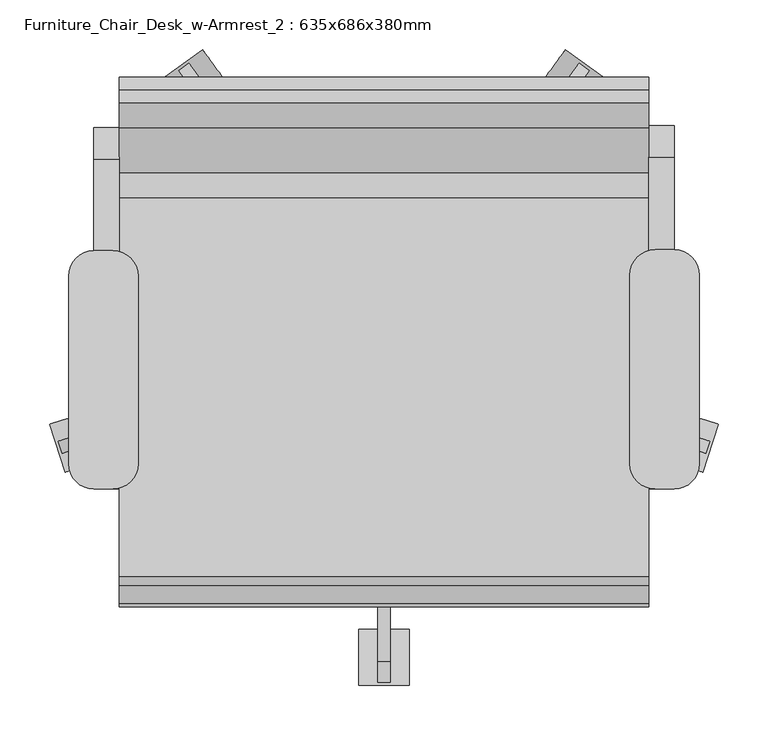
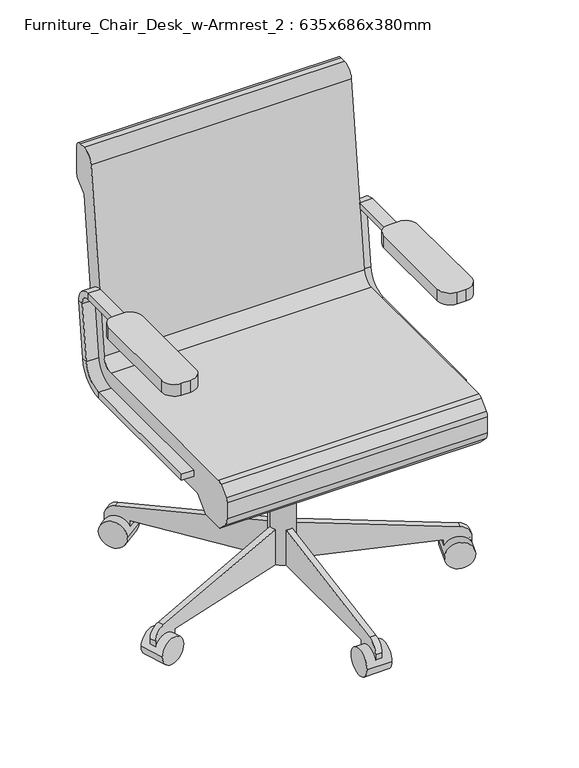
"""IFC4 building model written with IfcOpenShell, lengths in millimetres: furniture geometry, Furniture_Chair_Desk_w-Armrest_2 : 635x686x380mm."""

from ifc_helpers import new_model, si_unit, point, frame, frame_2d, origin, place, context, project, spatial, polyline, circle_curve, trimmed, segment, composite_curve, outline, extrude, source, transform, mapped, element, save
from ifc_brep_helpers import plane_surface, cylinder_surface, revolved_surface, advanced_brep


def furniture_chair_desk_w_armrest_2_635x686x380mm_3c69ee15(model_context):
    return source(origin(), model_context, "Body", "SolidModel", [
        extrude(outline(composite_curve([segment(trimmed(circle_curve(frame_2d((433.0908197, 48.8028048)), 25.4), [point((433.0908197, 74.2028048))], [point((458.4908197, 48.8028048))], False, "CARTESIAN"), True, "CONTINUOUS"), segment(polyline([(458.4908197, 48.8028048), (458.4908197, -141.6319091)]), True, "CONTINUOUS"), segment(trimmed(circle_curve(frame_2d((433.0908197, -141.6319091)), 25.4), [point((458.4908197, -141.6319091))], [point((433.0908197, -167.0319091))], False, "CARTESIAN"), True, "CONTINUOUS"), segment(polyline([(433.0908197, -167.0319091), (414.0408197, -167.0319091)]), True, "CONTINUOUS"), segment(trimmed(circle_curve(frame_2d((414.0408197, -141.6319091)), 25.4), [point((414.0408197, -167.0319091))], [point((388.6408197, -141.6319091))], False, "CARTESIAN"), True, "CONTINUOUS"), segment(polyline([(388.6408197, -141.6319091), (388.6408197, 48.8028048)]), True, "CONTINUOUS"), segment(trimmed(circle_curve(frame_2d((414.0408197, 48.8028048)), 25.4), [point((388.6408197, 48.8028048))], [point((414.0408197, 74.2028048))], False, "CARTESIAN"), True, "CONTINUOUS"), segment(polyline([(414.0408197, 74.2028048), (433.0908197, 74.2028048)]), True, "CONTINUOUS")], self_intersect=False)), frame((0.0, 0.0, 596.9), z_axis=(0.0, 0.0, 1.0), x_axis=(1.0, 0.0, 0.0)), (0.0, 0.0, 1.0), 25.4),
        extrude(outline(composite_curve([segment(trimmed(circle_curve(frame_2d((-132.0591803, 47.7575984)), 25.4), [point((-132.0591803, 73.1575984))], [point((-106.6591803, 47.7575984))], False, "CARTESIAN"), True, "CONTINUOUS"), segment(polyline([(-106.6591803, 47.7575984), (-106.6591803, -141.6319091)]), True, "CONTINUOUS"), segment(trimmed(circle_curve(frame_2d((-132.0591803, -141.6319091)), 25.4), [point((-106.6591803, -141.6319091))], [point((-132.0591803, -167.0319091))], False, "CARTESIAN"), True, "CONTINUOUS"), segment(polyline([(-132.0591803, -167.0319091), (-151.1091803, -167.0319091)]), True, "CONTINUOUS"), segment(trimmed(circle_curve(frame_2d((-151.1091803, -141.6319091)), 25.4), [point((-151.1091803, -167.0319091))], [point((-176.5091803, -141.6319091))], False, "CARTESIAN"), True, "CONTINUOUS"), segment(polyline([(-176.5091803, -141.6319091), (-176.5091803, 47.7575984)]), True, "CONTINUOUS"), segment(trimmed(circle_curve(frame_2d((-151.1091803, 47.7575984)), 25.4), [point((-176.5091803, 47.7575984))], [point((-151.1091803, 73.1575984))], False, "CARTESIAN"), True, "CONTINUOUS"), segment(polyline([(-151.1091803, 73.1575984), (-132.0591803, 73.1575984)]), True, "CONTINUOUS")], self_intersect=False)), frame((0.0, 0.0, 596.9), z_axis=(0.0, 0.0, 1.0), x_axis=(1.0, 0.0, 0.0)), (0.0, 0.0, 1.0), 25.4),
        advanced_brep(
        [(-151.1091803, -167.0319091, 412.75), (-125.7091803, -167.0319091, 412.75), (-125.7091803, -167.0319091, 425.45), (-151.1091803, -167.0319091, 425.45), (-151.1091803, 126.2388651, 425.45), (-151.1091803, 126.2388651, 412.75), (-125.7091803, 126.2388651, 425.45), (-125.7091803, 126.2388651, 412.75), (-151.1091803, 170.3844094, 464.7064065), (-151.1091803, 182.9974221, 463.2225227), (-125.7091803, 170.3844094, 464.7064065), (-125.7091803, 182.9974221, 463.2225227), (-151.1091803, 184.1806174, 581.9741742), (-151.1091803, 196.7936301, 580.4902904), (-125.7091803, 184.1806174, 581.9741742), (-125.7091803, 196.7936301, 580.4902904), (-151.1091803, 165.2610984, 603.25), (-151.1091803, 165.2610984, 615.95), (-125.7091803, 165.2610984, 603.25), (-125.7091803, 165.2610984, 615.95), (-151.1091803, -18.9459016, 615.95), (-151.1091803, -18.9459016, 603.25), (-125.7091803, -18.9459016, 603.25), (-125.7091803, -18.9459016, 615.95)],
        [
            (0, 1),
            (1, 2),
            (2, 3),
            (3, 0),
            (3, 4),
            (4, 5),
            (5, 0),
            (2, 6),
            (6, 4),
            (1, 7),
            (7, 6),
            (5, 7),
            (8, 9),
            (9, 5, circle_curve(frame((-151.1091803, 126.2388651, 469.9), z_axis=(-1.0, 0.0, 0.0), x_axis=(0.0, 0.0, -1.0)), 57.15)),
            (4, 8, circle_curve(frame((-151.1091803, 126.2388651, 469.9), z_axis=(1.0, 0.0, 0.0), x_axis=(0.0, 0.0, -1.0)), 44.45)),
            (10, 8),
            (6, 10, circle_curve(frame((-125.7091803, 126.2388651, 469.9), z_axis=(1.0, 0.0, 0.0), x_axis=(0.0, 0.0, -1.0)), 44.45)),
            (11, 10),
            (7, 11, circle_curve(frame((-125.7091803, 126.2388651, 469.9), z_axis=(1.0, 0.0, 0.0), x_axis=(0.0, 0.0, -1.0)), 57.15)),
            (9, 11),
            (8, 12),
            (12, 13),
            (13, 9),
            (10, 14),
            (14, 12),
            (11, 15),
            (15, 14),
            (13, 15),
            (16, 17),
            (17, 13, circle_curve(frame((-151.1091803, 165.2610984, 584.2), z_axis=(-1.0, 0.0, 0.0), x_axis=(0.0, 0.9931506043228768, -0.11684124756739202)), 31.75)),
            (12, 16, circle_curve(frame((-151.1091803, 165.2610984, 584.2), z_axis=(1.0, 0.0, 0.0), x_axis=(0.0, 0.9931506043228768, -0.11684124756739202)), 19.05)),
            (18, 16),
            (14, 18, circle_curve(frame((-125.7091803, 165.2610984, 584.2), z_axis=(1.0, 0.0, 0.0), x_axis=(0.0, 0.9931506043228768, -0.11684124756739202)), 19.05)),
            (19, 18),
            (15, 19, circle_curve(frame((-125.7091803, 165.2610984, 584.2), z_axis=(1.0, 0.0, 0.0), x_axis=(0.0, 0.9931506043228768, -0.11684124756739202)), 31.75)),
            (17, 19),
            (20, 21),
            (21, 22),
            (22, 23),
            (23, 20),
            (16, 21),
            (20, 17),
            (18, 22),
            (19, 23),
        ],
        [
            plane_surface(frame((-152.608212, -167.0319091, 419.1), z_axis=(0.0, -1.0, 0.0), x_axis=(0.0, 0.0, -1.0))),
            plane_surface(frame((-151.1091803, -167.0319091, 412.75), z_axis=(-1.0, 0.0, 0.0), x_axis=(0.0, 1.0, 0.0))),
            plane_surface(frame((-151.1091803, -167.0319091, 425.45), z_axis=(0.0, 0.0, 1.0), x_axis=(0.0, 1.0, 0.0))),
            plane_surface(frame((-125.7091803, -167.0319091, 425.45), z_axis=(1.0, 0.0, 0.0), x_axis=(0.0, 1.0, 0.0))),
            plane_surface(frame((-125.7091803, -167.0319091, 412.75), z_axis=(0.0, 0.0, -1.0), x_axis=(0.0, 1.0, 0.0))),
            plane_surface(frame((-151.1091803, 126.2388651, 469.9), z_axis=(-1.0, 0.0, 0.0), x_axis=(0.0, 0.0, -1.0))),
            revolved_surface(polyline([(-151.1091803, 126.2388651, 425.45), (-125.7091803, 126.2388651, 425.45)]), (-138.4091803, 126.2388651, 469.9), (-1.0, 0.0, 0.0)),
            plane_surface(frame((-125.7091803, 126.2388651, 469.9), z_axis=(1.0, 0.0, 0.0), x_axis=(0.0, 0.0, -1.0))),
            cylinder_surface(frame((-138.4091803, 126.2388651, 469.9), z_axis=(-1.0, 0.0, 0.0), x_axis=(0.0, 0.0, -1.0)), 57.15),
            plane_surface(frame((-151.1091803, 182.9974221, 463.2225227), z_axis=(-1.0, 0.0, 0.0), x_axis=(0.0, 0.1168412475673856, 0.9931506043228776))),
            plane_surface(frame((-151.1091803, 170.3844094, 464.7064065), z_axis=(0.0, -0.9931506043228776, 0.1168412475673856), x_axis=(0.0, 0.1168412475673856, 0.9931506043228776))),
            plane_surface(frame((-125.7091803, 170.3844094, 464.7064065), z_axis=(1.0, 0.0, 0.0), x_axis=(0.0, 0.1168412475673856, 0.9931506043228776))),
            plane_surface(frame((-125.7091803, 182.9974221, 463.2225227), z_axis=(0.0, 0.9931506043228776, -0.1168412475673856), x_axis=(0.0, 0.1168412475673856, 0.9931506043228776))),
            plane_surface(frame((-151.1091803, 165.2610984, 584.2), z_axis=(-1.0, 0.0, 0.0), x_axis=(0.0, 0.9931506043228768, -0.11684124756739202))),
            revolved_surface(polyline([(-151.1091803, 184.1806174123508, 581.9741742338413), (-125.7091803, 184.1806174123508, 581.9741742338413)]), (-138.4091803, 165.2610984, 584.2), (-1.0, 0.0, 0.0)),
            plane_surface(frame((-125.7091803, 165.2610984, 584.2), z_axis=(1.0, 0.0, 0.0), x_axis=(0.0, 0.9931506043228768, -0.11684124756739202))),
            cylinder_surface(frame((-138.4091803, 165.2610984, 584.2), z_axis=(-1.0, 0.0, 0.0), x_axis=(0.0, 0.9931506043228768, -0.11684124756739202)), 31.75),
            plane_surface(frame((-152.608212, -18.9459016, 609.6), z_axis=(0.0, -1.0, 0.0), x_axis=(0.0, 0.0, 1.0))),
            plane_surface(frame((-151.1091803, 165.2610984, 615.95), z_axis=(-1.0, 0.0, 0.0), x_axis=(0.0, -1.0, 0.0))),
            plane_surface(frame((-151.1091803, 165.2610984, 603.25), z_axis=(0.0, 0.0, -1.0), x_axis=(0.0, -1.0, 0.0))),
            plane_surface(frame((-125.7091803, 165.2610984, 603.25), z_axis=(1.0, 0.0, 0.0), x_axis=(0.0, -1.0, 0.0))),
            plane_surface(frame((-125.7091803, 165.2610984, 615.95), z_axis=(0.0, 0.0, 1.0), x_axis=(0.0, -1.0, 0.0))),
        ],
        [
            (0, [[1, 2, 3, 4]]),
            (1, [[5, 6, 7, -4]]),
            (2, [[8, 9, -5, -3]]),
            (3, [[10, 11, -8, -2]]),
            (4, [[-7, 12, -10, -1]]),
            (5, [[13, 14, -6, 15]]),
            (6, [[16, -15, -9, 17]]),
            (7, [[18, -17, -11, 19]]),
            (8, [[20, -19, -12, -14]]),
            (9, [[21, 22, 23, -13]]),
            (10, [[24, 25, -21, -16]]),
            (11, [[26, 27, -24, -18]]),
            (12, [[-23, 28, -26, -20]]),
            (13, [[29, 30, -22, 31]]),
            (14, [[32, -31, -25, 33]]),
            (15, [[34, -33, -27, 35]]),
            (16, [[36, -35, -28, -30]]),
            (17, [[37, 38, 39, 40]]),
            (18, [[41, -37, 42, -29]]),
            (19, [[43, -38, -41, -32]]),
            (20, [[44, -39, -43, -34]]),
            (21, [[-42, -40, -44, -36]]),
        ],
    ),
        advanced_brep(
        [(433.0908197, -167.0319091, 425.45), (407.6908197, -167.0319091, 425.45), (407.6908197, -167.0319091, 412.75), (433.0908197, -167.0319091, 412.75), (433.0908197, 128.329278, 412.75), (433.0908197, 128.329278, 425.45), (407.6908197, 128.329278, 412.75), (407.6908197, 128.329278, 425.45), (433.0908197, 185.0878351, 463.2225227), (433.0908197, 172.4748224, 464.7064065), (407.6908197, 185.0878351, 463.2225227), (407.6908197, 172.4748224, 464.7064065), (433.0908197, 198.884043, 580.4902904), (433.0908197, 186.2710303, 581.9741742), (407.6908197, 198.884043, 580.4902904), (407.6908197, 186.2710303, 581.9741742), (433.0908197, 167.3515113, 615.95), (433.0908197, 167.3515113, 603.25), (407.6908197, 167.3515113, 615.95), (407.6908197, 167.3515113, 603.25), (433.0908197, -18.9459016, 603.25), (433.0908197, -18.9459016, 615.95), (407.6908197, -18.9459016, 615.95), (407.6908197, -18.9459016, 603.25)],
        [
            (0, 1),
            (1, 2),
            (2, 3),
            (3, 0),
            (3, 4),
            (4, 5),
            (5, 0),
            (2, 6),
            (6, 4),
            (1, 7),
            (7, 6),
            (5, 7),
            (8, 9),
            (9, 5, circle_curve(frame((433.0908197, 128.329278, 469.9), z_axis=(-1.0, 0.0, 0.0), x_axis=(0.0, 0.0, -1.0)), 44.45)),
            (4, 8, circle_curve(frame((433.0908197, 128.329278, 469.9), z_axis=(1.0, 0.0, 0.0), x_axis=(0.0, 0.0, -1.0)), 57.15)),
            (10, 8),
            (6, 10, circle_curve(frame((407.6908197, 128.329278, 469.9), z_axis=(1.0, 0.0, 0.0), x_axis=(0.0, 0.0, -1.0)), 57.15)),
            (11, 10),
            (7, 11, circle_curve(frame((407.6908197, 128.329278, 469.9), z_axis=(1.0, 0.0, 0.0), x_axis=(0.0, 0.0, -1.0)), 44.45)),
            (9, 11),
            (8, 12),
            (12, 13),
            (13, 9),
            (10, 14),
            (14, 12),
            (11, 15),
            (15, 14),
            (13, 15),
            (16, 17),
            (17, 13, circle_curve(frame((433.0908197, 167.3515113, 584.2), z_axis=(-1.0, 0.0, 0.0), x_axis=(0.0, 0.9931506043228767, -0.1168412475673929)), 19.05)),
            (12, 16, circle_curve(frame((433.0908197, 167.3515113, 584.2), z_axis=(1.0, 0.0, 0.0), x_axis=(0.0, 0.9931506043228767, -0.1168412475673929)), 31.75)),
            (18, 16),
            (14, 18, circle_curve(frame((407.6908197, 167.3515113, 584.2), z_axis=(1.0, 0.0, 0.0), x_axis=(0.0, 0.9931506043228767, -0.1168412475673929)), 31.75)),
            (19, 18),
            (15, 19, circle_curve(frame((407.6908197, 167.3515113, 584.2), z_axis=(1.0, 0.0, 0.0), x_axis=(0.0, 0.9931506043228767, -0.1168412475673929)), 19.05)),
            (17, 19),
            (20, 21),
            (21, 22),
            (22, 23),
            (23, 20),
            (16, 21),
            (20, 17),
            (18, 22),
            (19, 23),
        ],
        [
            plane_surface(frame((406.191788, -167.0319091, 419.1), z_axis=(0.0, -1.0, 0.0), x_axis=(0.0, 0.0, -1.0))),
            plane_surface(frame((433.0908197, -167.0319091, 425.45), z_axis=(1.0, 0.0, 0.0), x_axis=(0.0, 1.0, 0.0))),
            plane_surface(frame((433.0908197, -167.0319091, 412.75), z_axis=(0.0, 0.0, -1.0), x_axis=(0.0, 1.0, 0.0))),
            plane_surface(frame((407.6908197, -167.0319091, 412.75), z_axis=(-1.0, 0.0, 0.0), x_axis=(0.0, 1.0, 0.0))),
            plane_surface(frame((407.6908197, -167.0319091, 425.45), z_axis=(0.0, 0.0, 1.0), x_axis=(0.0, 1.0, 0.0))),
            plane_surface(frame((433.0908197, 128.329278, 469.9), z_axis=(1.0, 0.0, 0.0), x_axis=(0.0, 0.0, -1.0))),
            cylinder_surface(frame((420.3908197, 128.329278, 469.9), z_axis=(-1.0, 0.0, 0.0), x_axis=(0.0, 0.0, -1.0)), 57.15),
            plane_surface(frame((407.6908197, 128.329278, 469.9), z_axis=(-1.0, 0.0, 0.0), x_axis=(0.0, 0.0, -1.0))),
            revolved_surface(polyline([(407.6908197, 128.329278, 425.45), (433.0908197, 128.329278, 425.45)]), (420.3908197, 128.329278, 469.9), (-1.0, 0.0, 0.0)),
            plane_surface(frame((433.0908197, 172.4748224, 464.7064065), z_axis=(1.0, 0.0, 0.0), x_axis=(0.0, 0.11684124756738626, 0.9931506043228775))),
            plane_surface(frame((433.0908197, 185.0878351, 463.2225227), z_axis=(0.0, 0.9931506043228775, -0.11684124756738655), x_axis=(0.0, 0.11684124756738655, 0.9931506043228775))),
            plane_surface(frame((407.6908197, 185.0878351, 463.2225227), z_axis=(-1.0, 0.0, 0.0), x_axis=(0.0, 0.11684124756738626, 0.9931506043228775))),
            plane_surface(frame((407.6908197, 172.4748224, 464.7064065), z_axis=(0.0, -0.9931506043228775, 0.11684124756738626), x_axis=(0.0, 0.11684124756738626, 0.9931506043228775))),
            plane_surface(frame((433.0908197, 167.3515113, 584.2), z_axis=(1.0, 0.0, 0.0), x_axis=(0.0, 0.9931506043228767, -0.1168412475673929))),
            cylinder_surface(frame((420.3908197, 167.3515113, 584.2), z_axis=(-1.0, 0.0, 0.0), x_axis=(0.0, 0.9931506043228767, -0.1168412475673929)), 31.75),
            plane_surface(frame((407.6908197, 167.3515113, 584.2), z_axis=(-1.0, 0.0, 0.0), x_axis=(0.0, 0.9931506043228767, -0.1168412475673929))),
            revolved_surface(polyline([(407.6908197, 186.2710303123508, 581.9741742338412), (433.0908197, 186.2710303123508, 581.9741742338412)]), (420.3908197, 167.3515113, 584.2), (-1.0, 0.0, 0.0)),
            plane_surface(frame((406.191788, -18.9459016, 609.6), z_axis=(0.0, -1.0, 0.0), x_axis=(0.0, 0.0, 1.0))),
            plane_surface(frame((433.0908197, 167.3515113, 603.25), z_axis=(1.0, 0.0, 0.0), x_axis=(0.0, -1.0, 0.0))),
            plane_surface(frame((433.0908197, 167.3515113, 615.95), z_axis=(0.0, 0.0, 1.0), x_axis=(0.0, -1.0, 0.0))),
            plane_surface(frame((407.6908197, 167.3515113, 615.95), z_axis=(-1.0, 0.0, 0.0), x_axis=(0.0, -1.0, 0.0))),
            plane_surface(frame((407.6908197, 167.3515113, 603.25), z_axis=(0.0, 0.0, -1.0), x_axis=(0.0, -1.0, 0.0))),
        ],
        [
            (0, [[1, 2, 3, 4]]),
            (1, [[5, 6, 7, -4]]),
            (2, [[8, 9, -5, -3]]),
            (3, [[10, 11, -8, -2]]),
            (4, [[-7, 12, -10, -1]]),
            (5, [[13, 14, -6, 15]]),
            (6, [[16, -15, -9, 17]]),
            (7, [[18, -17, -11, 19]]),
            (8, [[20, -19, -12, -14]]),
            (9, [[21, 22, 23, -13]]),
            (10, [[24, 25, -21, -16]]),
            (11, [[26, 27, -24, -18]]),
            (12, [[-23, 28, -26, -20]]),
            (13, [[29, 30, -22, 31]]),
            (14, [[32, -31, -25, 33]]),
            (15, [[34, -33, -27, 35]]),
            (16, [[36, -35, -28, -30]]),
            (17, [[37, 38, 39, 40]]),
            (18, [[41, -37, 42, -29]]),
            (19, [[43, -38, -41, -32]]),
            (20, [[44, -39, -43, -34]]),
            (21, [[-42, -40, -44, -36]]),
        ],
    ),
        extrude(outline(composite_curve([segment(trimmed(circle_curve(frame_2d((140.9908197, -18.9459016)), 25.4), [point((115.5908197, -18.9459016))], [point((166.3908197, -18.9459016))], False, "CARTESIAN"), True, "CONTINUOUS"), segment(trimmed(circle_curve(frame_2d((140.9908197, -18.9459016)), 25.4), [point((166.3908197, -18.9459016))], [point((115.5908197, -18.9459016))], False, "CARTESIAN"), True, "CONTINUOUS")], self_intersect=False)), frame((0.0, 0.0, 53.5835944), z_axis=(0.0, 0.0, 1.0), x_axis=(1.0, 0.0, 0.0)), (0.0, 0.0, 1.0), 330.5914056),
        extrude(outline(composite_curve([segment(trimmed(circle_curve(frame_2d((0.0, 28.2002728)), 28.2002727), [point((0.0, 56.4005455))], [point((0.0, 0.0))], False, "CARTESIAN"), True, "CONTINUOUS"), segment(trimmed(circle_curve(frame_2d((0.0, 28.2002728)), 28.2002727), [point((0.0, 0.0))], [point((0.0, 56.4005455))], False, "CARTESIAN"), True, "CONTINUOUS")], self_intersect=False)), frame((461.9222851, -149.9299964, 28.1835944), z_axis=(0.3090169943749423, 0.9510565162951553, 0.0), x_axis=(0.0, 0.0, -1.0)), (0.0, 0.0, 1.0), 50.8),
        extrude(outline(composite_curve([segment(polyline([(25.4, 0.0), (0.0, 0.0), (0.0, 50.8), (24.303053, 50.8)]), True, "CONTINUOUS"), segment(trimmed(circle_curve(frame_2d((24.303053, 25.4)), 25.4), [point((24.303053, 50.8))], [point((49.3171699, 29.8106636))], False, "CARTESIAN"), True, "CONTINUOUS"), segment(polyline([(49.3171699, 29.8106636), (101.6, -266.7), (101.6, -292.1), (25.4, -292.1), (25.4, 0.0)]), True, "CONTINUOUS")], self_intersect=False)), frame((416.8321702, -115.2489746, 28.1835944), z_axis=(0.3090169943749423, 0.9510565162951553, 0.0), x_axis=(0.0, 0.0, 1.0)), (0.0, 0.0, 1.0), 12.7),
        extrude(outline(composite_curve([segment(trimmed(circle_curve(frame_2d((0.0, 28.2002726)), 28.2002727), [point((0.0, 56.4005454))], [point((0.0, 0.0))], False, "CARTESIAN"), True, "CONTINUOUS"), segment(trimmed(circle_curve(frame_2d((0.0, 28.2002726)), 28.2002727), [point((0.0, 0.0))], [point((0.0, 56.4005454))], False, "CARTESIAN"), True, "CONTINUOUS")], self_intersect=False)), frame((364.7373733, 245.8017485, 28.1835944), z_axis=(-0.8090169943749499, 0.5877852522924699, 0.0), x_axis=(0.0, 0.0, -1.0)), (0.0, 0.0, 1.0), 50.8),
        extrude(outline(composite_curve([segment(polyline([(25.4, 0.0), (0.0, 0.0), (0.0, 50.8), (24.303053, 50.8)]), True, "CONTINUOUS"), segment(trimmed(circle_curve(frame_2d((24.303053, 25.3999999)), 25.4), [point((24.303053, 50.8))], [point((49.3171699, 29.8106637))], False, "CARTESIAN"), True, "CONTINUOUS"), segment(polyline([(49.3171699, 29.8106637), (101.6, -266.7), (101.6, -292.1), (25.4, -292.1), (25.4, 0.0)]), True, "CONTINUOUS")], self_intersect=False)), frame((317.8201498, 213.6355261, 28.1835944), z_axis=(-0.8090169943749499, 0.5877852522924699, 0.0), x_axis=(0.0, 0.0, 1.0)), (0.0, 0.0, 1.0), 12.7),
        extrude(outline(composite_curve([segment(trimmed(circle_curve(frame_2d((0.0, 28.2002726)), 28.2002727), [point((0.0, 56.4005454))], [point((0.0, 0.0))], False, "CARTESIAN"), True, "CONTINUOUS"), segment(trimmed(circle_curve(frame_2d((0.0, 28.2002726)), 28.2002727), [point((0.0, 0.0))], [point((0.0, 56.4005454))], False, "CARTESIAN"), True, "CONTINUOUS")], self_intersect=False)), frame((-82.755734, 245.8017485, 28.1835944), z_axis=(0.8090169943749458, 0.5877852522924754, 0.0), x_axis=(0.0, 0.0, 1.0)), (0.0, 0.0, 1.0), 50.8),
        extrude(outline(composite_curve([segment(polyline([(-25.4, 0.0), (-25.4, -292.1), (-101.6, -292.1), (-101.6, -266.6999999), (-49.3171699, 29.8106637)]), True, "CONTINUOUS"), segment(trimmed(circle_curve(frame_2d((-24.303053, 25.3999999)), 25.4), [point((-49.3171699, 29.8106637))], [point((-24.303053, 50.8))], False, "CARTESIAN"), True, "CONTINUOUS"), segment(polyline([(-24.303053, 50.8), (0.0, 50.8), (0.0, 0.0), (-25.4, 0.0)]), True, "CONTINUOUS")], self_intersect=False)), frame((-35.8385104, 213.6355261, 28.1835944), z_axis=(0.8090169943749459, 0.5877852522924754, 0.0), x_axis=(0.0, 0.0, -1.0)), (0.0, 0.0, 1.0), 12.7),
        extrude(outline(composite_curve([segment(trimmed(circle_curve(frame_2d((0.0, 28.2002727)), 28.2002727), [point((0.0, 56.4005454))], [point((0.0, 0.0))], False, "CARTESIAN"), True, "CONTINUOUS"), segment(trimmed(circle_curve(frame_2d((0.0, 28.2002727)), 28.2002727), [point((0.0, 0.0))], [point((0.0, 56.4005454))], False, "CARTESIAN"), True, "CONTINUOUS")], self_intersect=False)), frame((-179.9406457, -149.9299964, 28.1835944), z_axis=(-0.3090169943749487, 0.9510565162951532, 0.0), x_axis=(0.0, 0.0, 1.0)), (0.0, 0.0, 1.0), 50.8),
        extrude(outline(composite_curve([segment(polyline([(-25.4, 0.0), (-25.4, -292.1), (-101.6, -292.1), (-101.6, -266.7), (-49.3171699, 29.8106637)]), True, "CONTINUOUS"), segment(trimmed(circle_curve(frame_2d((-24.303053, 25.4)), 25.4), [point((-49.3171699, 29.8106637))], [point((-24.303053, 50.8000001))], False, "CARTESIAN"), True, "CONTINUOUS"), segment(polyline([(-24.303053, 50.8000001), (0.0, 50.8000001), (0.0, 0.0), (-25.4, 0.0)]), True, "CONTINUOUS")], self_intersect=False)), frame((-134.8505308, -115.2489746, 28.1835944), z_axis=(-0.3090169943749487, 0.9510565162951532, 0.0), x_axis=(0.0, 0.0, -1.0)), (0.0, 0.0, 1.0), 12.7),
        extrude(outline(composite_curve([segment(trimmed(circle_curve(frame_2d((-336.4459016, 28.1835944)), 28.2002727), [point((-308.2456289, 28.1835944))], [point((-364.6461744, 28.1835944))], False, "CARTESIAN"), True, "CONTINUOUS"), segment(trimmed(circle_curve(frame_2d((-336.4459016, 28.1835944)), 28.2002727), [point((-364.6461744, 28.1835944))], [point((-308.2456289, 28.1835944))], False, "CARTESIAN"), True, "CONTINUOUS")], self_intersect=False)), frame((115.5908197, 0.0, 0.0), z_axis=(1.0, 0.0, 0.0), x_axis=(0.0, 1.0, 0.0)), (0.0, 0.0, 1.0), 50.8),
        extrude(outline(composite_curve([segment(polyline([(-311.0459016, 53.5835944), (-311.0459016, 28.1835944), (-361.8459016, 28.1835944), (-361.8459016, 52.4866474)]), True, "CONTINUOUS"), segment(trimmed(circle_curve(frame_2d((-336.4459016, 52.4866474)), 25.4), [point((-361.8459016, 52.4866474))], [point((-340.8565654, 77.5007643))], False, "CARTESIAN"), True, "CONTINUOUS"), segment(polyline([(-340.8565654, 77.5007643), (-44.3459016, 129.7835944), (-18.9459016, 129.7835944), (-18.9459016, 53.5835944), (-311.0459016, 53.5835944)]), True, "CONTINUOUS")], self_intersect=False)), frame((134.6408197, 0.0, 0.0), z_axis=(1.0, 0.0, 0.0), x_axis=(0.0, 1.0, 0.0)), (0.0, 0.0, 1.0), 12.7),
        extrude(outline(polyline([(-69.7459016, 383.7835944), (19.1540984, 383.7835944), (19.1540984, 283.0954134), (-18.9459016, 283.0954134), (-69.7459016, 371.0835944), (-69.7459016, 383.7835944)])), frame((90.1908197, 0.0, 0.0), z_axis=(1.0, 0.0, 0.0), x_axis=(0.0, 1.0, 0.0)), (0.0, 0.0, 1.0), 101.6),
        extrude(outline(composite_curve([segment(trimmed(circle_curve(frame_2d((126.2050455, 482.6)), 25.4), [point((126.2050455, 457.2))], [point((151.4310708, 479.6322323))], True, "CARTESIAN"), True, "CONTINUOUS"), segment(polyline([(151.4310708, 479.6322323), (196.9528985, 866.5677677)]), True, "CONTINUOUS"), segment(trimmed(circle_curve(frame_2d((222.1789239, 863.6)), 25.4), [point((196.9528985, 866.5677677))], [point((222.1789239, 889.0))], False, "CARTESIAN"), True, "CONTINUOUS"), segment(polyline([(222.1789239, 889.0), (235.0540984, 889.0)]), True, "CONTINUOUS"), segment(trimmed(circle_curve(frame_2d((235.0540984, 876.3)), 12.7), [point((235.0540984, 889.0))], [point((247.7540984, 876.3))], False, "CARTESIAN"), True, "CONTINUOUS"), segment(polyline([(247.7540984, 876.3), (247.7540984, 818.0605122)]), True, "CONTINUOUS"), segment(trimmed(circle_curve(frame_2d((235.0540984, 818.0605122)), 12.7), [point((247.7540984, 818.0605122))], [point((244.0343545, 809.0802561))], False, "CARTESIAN"), True, "CONTINUOUS"), segment(polyline([(244.0343545, 809.0802561), (222.3540984, 787.4), (182.7870738, 451.0802913)]), True, "CONTINUOUS"), segment(trimmed(circle_curve(frame_2d((107.1089978, 459.9835944)), 76.2), [point((182.7870738, 451.0802913))], [point((107.1089978, 383.7835944))], False, "CARTESIAN"), True, "CONTINUOUS"), segment(polyline([(107.1089978, 383.7835944), (-181.0744602, 383.7835944), (-209.4470284, 355.6), (-260.2470284, 355.6), (-278.2663256, 373.7401184)]), True, "CONTINUOUS"), segment(trimmed(circle_curve(frame_2d((-260.2459016, 391.6405184)), 25.4), [point((-278.2663256, 373.7401184))], [point((-285.6459016, 391.6405184))], False, "CARTESIAN"), True, "CONTINUOUS"), segment(polyline([(-285.6459016, 391.6405184), (-285.6459016, 426.6837879)]), True, "CONTINUOUS"), segment(trimmed(circle_curve(frame_2d((-272.9459016, 426.6837879)), 12.7), [point((-285.6459016, 426.6837879))], [point((-281.8961016, 435.6939999))], False, "CARTESIAN"), True, "CONTINUOUS"), segment(polyline([(-281.8961016, 435.6939999), (-263.9604301, 453.510212)]), True, "CONTINUOUS"), segment(trimmed(circle_curve(frame_2d((-255.0102301, 444.5)), 12.7), [point((-263.9604301, 453.510212))], [point((-255.0102301, 457.2))], False, "CARTESIAN"), True, "CONTINUOUS"), segment(polyline([(-255.0102301, 457.2), (126.2050455, 457.2)]), True, "CONTINUOUS")], self_intersect=False)), frame((-125.7091803, 0.0, 0.0), z_axis=(1.0, 0.0, 0.0), x_axis=(0.0, 1.0, 0.0)), (0.0, 0.0, 1.0), 533.4),
    ])


if __name__ == "__main__":
    model = new_model("IFC4")
    model_context = context("Model", 3, world=origin())
    ifc_project = project(units=[si_unit("LENGTHUNIT", "METRE", prefix="MILLI")], contexts=[model_context])
    site = spatial("IfcSite", under=ifc_project)
    building = spatial("IfcBuilding", under=site)
    placement = place(None, origin())
    furniture_chair_desk_w_armrest_2_635x686x380mm_shape = furniture_chair_desk_w_armrest_2_635x686x380mm_3c69ee15(model_context)
    element("IfcFurniture", 1, ObjectType="Furniture_Chair_Desk_w-Armrest_2 : 635x686x380mm", at=placement, inside=building, context=model_context, shape_type="MappedRepresentation", body=[
        mapped(furniture_chair_desk_w_armrest_2_635x686x380mm_shape, transform((0.0, 0.0, 0.0), x_axis=(1.0, 0.0, 0.0), y_axis=(0.0, 1.0, 0.0), z_axis=(0.0, 0.0, 1.0))),
    ])
    save(model, "model.ifc")
